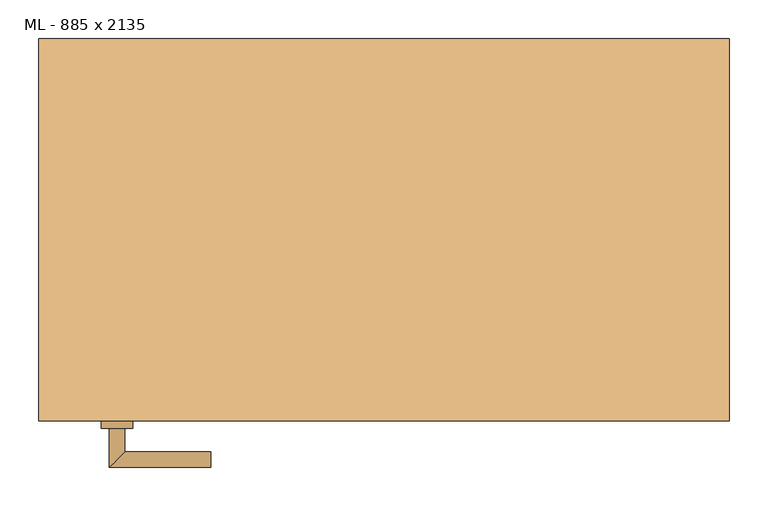
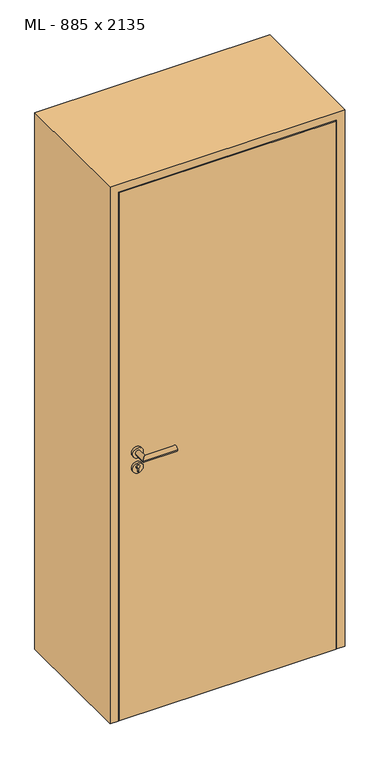
"""IFC4 building model written with IfcOpenShell, lengths in millimetres: door geometry, ML - 885 x 2135."""

from ifc_helpers import new_model, si_unit, point, frame, frame_2d, origin, origin_with_axes, place, context, project, spatial, polyline, circle_curve, ellipse_curve, trimmed, segment, composite_curve, outline, extrude, faceted_brep, source, transform, mapped, element, save
from ifc_brep_helpers import plane_surface, cylinder_surface, advanced_brep


def ml_885_x_2135_50889766(model_context):
    return source(origin(), model_context, "Body", "SolidModel", [
        extrude(outline(polyline([(408.5, -245.0), (-408.5, -245.0), (-408.5, -200.0), (408.5, -200.0), (408.5, -245.0)])), origin_with_axes(), (0.0, 0.0, 1.0), 2101.0),
        advanced_brep(
        [(-332.5, -255.0, 1050.0), (-352.5, -255.0, 1050.0), (-352.5, -305.0, 1050.0), (-332.5, -285.0, 1050.0), (-222.5, -285.0, 1050.0), (-222.5, -305.0, 1050.0)],
        [
            (0, 1, circle_curve(frame((-342.5, -255.0, 1050.0), z_axis=(0.0, 1.0, 0.0), x_axis=(-1.0, 0.0, 0.0)), 10.0)),
            (1, 0, circle_curve(frame((-342.5, -255.0, 1050.0), z_axis=(0.0, 1.0, 0.0), x_axis=(-1.0, 0.0, 0.0)), 10.0)),
            (1, 2),
            (2, 3, ellipse_curve(frame((-342.5, -295.0, 1050.0), z_axis=(-0.7071067811865531, 0.7071067811865419, 0.0), x_axis=(0.707106781186542, 0.707106781186553, 0.0)), 14.1421356, 10.0)),
            (3, 0),
            (3, 2, ellipse_curve(frame((-342.5, -295.0, 1050.0), z_axis=(-0.7071067811865531, 0.7071067811865419, 0.0), x_axis=(0.707106781186542, 0.707106781186553, 0.0)), 14.1421356, 10.0)),
            (4, 5, circle_curve(frame((-222.5, -295.0, 1050.0), z_axis=(1.0, 0.0, 0.0), x_axis=(0.0, -1.0, 0.0)), 10.0)),
            (5, 4, circle_curve(frame((-222.5, -295.0, 1050.0), z_axis=(1.0, 0.0, 0.0), x_axis=(0.0, -1.0, 0.0)), 10.0)),
            (2, 5),
            (4, 3),
        ],
        [
            plane_surface(frame((-342.5, -255.0, 1050.0), z_axis=(0.0, 1.0, 0.0), x_axis=(0.0, 0.0, 1.0))),
            cylinder_surface(frame((-342.5, -255.0, 1050.0), z_axis=(0.0, 1.0, 0.0), x_axis=(-1.0, 0.0, 0.0)), 10.0),
            plane_surface(frame((-222.5, -295.0, 1050.0), z_axis=(1.0, 0.0, 0.0), x_axis=(0.0, 0.0, 1.0))),
            cylinder_surface(frame((-342.5, -295.0, 1050.0), z_axis=(-1.0, 0.0, 0.0), x_axis=(0.0, -1.0, 0.0)), 10.0),
        ],
        [
            (0, [[1, 2]]),
            (1, [[3, 4, 5, -2]]),
            (1, [[-5, 6, -3, -1]]),
            (2, [[7, 8]]),
            (3, [[9, -7, 10, -4]]),
            (3, [[-10, -8, -9, -6]]),
        ],
    ),
        extrude(outline(composite_curve([segment(trimmed(circle_curve(frame_2d((990.0, -342.5)), 20.0), [point((990.0, -362.5))], [point((990.0, -322.5))], False, "CARTESIAN"), True, "CONTINUOUS"), segment(trimmed(circle_curve(frame_2d((990.0, -342.5)), 20.0), [point((990.0, -322.5))], [point((990.0, -362.5))], False, "CARTESIAN"), True, "CONTINUOUS")], self_intersect=False), holes=[composite_curve([segment(polyline([(976.4601385, -344.897268), (988.4749012, -344.897268)]), True, "CONTINUOUS"), segment(trimmed(circle_curve(frame_2d((995.0361633, -342.5)), 6.9854888), [point((988.4749012, -344.897268))], [point((988.4749012, -340.102732))], True, "CARTESIAN"), True, "CONTINUOUS"), segment(polyline([(988.4749012, -340.102732), (976.4601385, -340.102732)]), True, "CONTINUOUS"), segment(trimmed(circle_curve(frame_2d((976.4601385, -342.5)), 2.397268), [point((976.4601385, -340.102732))], [point((976.4601385, -344.897268))], True, "CARTESIAN"), True, "CONTINUOUS")], self_intersect=False)]), frame((0.0, -255.0, 0.0), z_axis=(0.0, 1.0, 0.0), x_axis=(0.0, 0.0, 1.0)), (0.0, 0.0, 1.0), 10.0),
        advanced_brep(
        [(-332.5, -255.0, 1050.0), (-352.5, -255.0, 1050.0), (-352.5, -305.0, 1050.0), (-332.5, -285.0, 1050.0), (-222.5, -285.0, 1050.0), (-222.5, -305.0, 1050.0)],
        [
            (0, 1, circle_curve(frame((-342.5, -255.0, 1050.0), z_axis=(0.0, 1.0, 0.0), x_axis=(-1.0, 0.0, 0.0)), 10.0)),
            (1, 0, circle_curve(frame((-342.5, -255.0, 1050.0), z_axis=(0.0, 1.0, 0.0), x_axis=(-1.0, 0.0, 0.0)), 10.0)),
            (1, 2),
            (2, 3, ellipse_curve(frame((-342.5, -295.0, 1050.0), z_axis=(-0.7071067811865537, 0.7071067811865414, 0.0), x_axis=(0.7071067811865414, 0.7071067811865536, 0.0)), 14.1421356, 10.0)),
            (3, 0),
            (3, 2, ellipse_curve(frame((-342.5, -295.0, 1050.0), z_axis=(-0.7071067811865537, 0.7071067811865414, 0.0), x_axis=(0.7071067811865414, 0.7071067811865536, 0.0)), 14.1421356, 10.0)),
            (4, 5, circle_curve(frame((-222.5, -295.0, 1050.0), z_axis=(1.0, 0.0, 0.0), x_axis=(0.0, -1.0, 0.0)), 10.0)),
            (5, 4, circle_curve(frame((-222.5, -295.0, 1050.0), z_axis=(1.0, 0.0, 0.0), x_axis=(0.0, -1.0, 0.0)), 10.0)),
            (2, 5),
            (4, 3),
        ],
        [
            plane_surface(frame((-342.5, -255.0, 1050.0), z_axis=(0.0, 1.0, 0.0), x_axis=(0.0, 0.0, 1.0))),
            cylinder_surface(frame((-342.5, -255.0, 1050.0), z_axis=(0.0, 1.0, 0.0), x_axis=(-1.0, 0.0, 0.0)), 10.0),
            plane_surface(frame((-222.5, -295.0, 1050.0), z_axis=(1.0, 0.0, 0.0), x_axis=(0.0, 0.0, 1.0))),
            cylinder_surface(frame((-342.5, -295.0, 1050.0), z_axis=(-1.0, 0.0, 0.0), x_axis=(0.0, -1.0, 0.0)), 10.0),
        ],
        [
            (0, [[1, 2]]),
            (1, [[3, 4, 5, -2]]),
            (1, [[-5, 6, -3, -1]]),
            (2, [[7, 8]]),
            (3, [[9, -7, 10, -4]]),
            (3, [[-10, -8, -9, -6]]),
        ],
    ),
        extrude(outline(composite_curve([segment(trimmed(circle_curve(frame_2d((1050.0, -342.5)), 20.0), [point((1050.0, -362.5))], [point((1050.0, -322.5))], False, "CARTESIAN"), True, "CONTINUOUS"), segment(trimmed(circle_curve(frame_2d((1050.0, -342.5)), 20.0), [point((1050.0, -322.5))], [point((1050.0, -362.5))], False, "CARTESIAN"), True, "CONTINUOUS")], self_intersect=False)), frame((0.0, -255.0, 0.0), z_axis=(0.0, 1.0, 0.0), x_axis=(0.0, 0.0, 1.0)), (0.0, 0.0, 1.0), 10.0),
        advanced_brep(
        [(-332.5, -190.0, 1050.0), (-352.5, -190.0, 1050.0), (-332.5, -160.0, 1050.0), (-352.5, -140.0, 1050.0), (-222.5, -160.0, 1050.0), (-222.5, -140.0, 1050.0)],
        [
            (0, 1, circle_curve(frame((-342.5, -190.0, 1050.0), z_axis=(0.0, -1.0, 0.0), x_axis=(-1.0, 0.0, 0.0)), 10.0)),
            (1, 0, circle_curve(frame((-342.5, -190.0, 1050.0), z_axis=(0.0, -1.0, 0.0), x_axis=(-1.0, 0.0, 0.0)), 10.0)),
            (0, 2),
            (2, 3, ellipse_curve(frame((-342.5, -150.0, 1050.0), z_axis=(-0.7071067811865486, -0.7071067811865464, 0.0), x_axis=(0.7071067811865464, -0.7071067811865488, 0.0)), 14.1421356, 10.0)),
            (3, 1),
            (3, 2, ellipse_curve(frame((-342.5, -150.0, 1050.0), z_axis=(-0.7071067811865486, -0.7071067811865464, 0.0), x_axis=(0.7071067811865464, -0.7071067811865488, 0.0)), 14.1421356, 10.0)),
            (4, 5, circle_curve(frame((-222.5, -150.0, 1050.0), z_axis=(1.0, 0.0, 0.0), x_axis=(0.0, 1.0, 0.0)), 10.0)),
            (5, 4, circle_curve(frame((-222.5, -150.0, 1050.0), z_axis=(1.0, 0.0, 0.0), x_axis=(0.0, 1.0, 0.0)), 10.0)),
            (2, 4),
            (5, 3),
        ],
        [
            plane_surface(frame((-342.5, -190.0, 1050.0), z_axis=(0.0, -1.0, 0.0), x_axis=(0.0, 0.0, 1.0))),
            cylinder_surface(frame((-342.5, -190.0, 1050.0), z_axis=(0.0, -1.0, 0.0), x_axis=(-1.0, 0.0, 0.0)), 10.0),
            plane_surface(frame((-222.5, -150.0, 1050.0), z_axis=(1.0, 0.0, 0.0), x_axis=(0.0, 0.0, 1.0))),
            cylinder_surface(frame((-342.5, -150.0, 1050.0), z_axis=(-1.0, 0.0, 0.0), x_axis=(0.0, 1.0, 0.0)), 10.0),
        ],
        [
            (0, [[1, 2]]),
            (1, [[-1, 3, 4, 5]]),
            (1, [[-2, -5, 6, -3]]),
            (2, [[7, 8]]),
            (3, [[-4, 9, -8, 10]]),
            (3, [[-6, -10, -7, -9]]),
        ],
    ),
        extrude(outline(composite_curve([segment(trimmed(circle_curve(frame_2d((990.0, -342.5)), 20.0), [point((990.0, -362.5))], [point((990.0, -322.5))], False, "CARTESIAN"), True, "CONTINUOUS"), segment(trimmed(circle_curve(frame_2d((990.0, -342.5)), 20.0), [point((990.0, -322.5))], [point((990.0, -362.5))], False, "CARTESIAN"), True, "CONTINUOUS")], self_intersect=False), holes=[composite_curve([segment(polyline([(976.4601385, -344.897268), (988.4749012, -344.897268)]), True, "CONTINUOUS"), segment(trimmed(circle_curve(frame_2d((995.0361633, -342.5)), 6.9854888), [point((988.4749012, -344.897268))], [point((988.4749012, -340.102732))], True, "CARTESIAN"), True, "CONTINUOUS"), segment(polyline([(988.4749012, -340.102732), (976.4601385, -340.102732)]), True, "CONTINUOUS"), segment(trimmed(circle_curve(frame_2d((976.4601385, -342.5)), 2.397268), [point((976.4601385, -340.102732))], [point((976.4601385, -344.897268))], True, "CARTESIAN"), True, "CONTINUOUS")], self_intersect=False)]), frame((0.0, -200.0, 0.0), z_axis=(0.0, 1.0, 0.0), x_axis=(0.0, 0.0, 1.0)), (0.0, 0.0, 1.0), 10.0),
        advanced_brep(
        [(-332.5, -190.0, 1050.0), (-352.5, -190.0, 1050.0), (-332.5, -160.0, 1050.0), (-352.5, -140.0, 1050.0), (-222.5, -160.0, 1050.0), (-222.5, -140.0, 1050.0)],
        [
            (0, 1, circle_curve(frame((-342.5, -190.0, 1050.0), z_axis=(0.0, -1.0, 0.0), x_axis=(-1.0, 0.0, 0.0)), 10.0)),
            (1, 0, circle_curve(frame((-342.5, -190.0, 1050.0), z_axis=(0.0, -1.0, 0.0), x_axis=(-1.0, 0.0, 0.0)), 10.0)),
            (0, 2),
            (2, 3, ellipse_curve(frame((-342.5, -150.0, 1050.0), z_axis=(-0.7071067811865491, -0.7071067811865459, 0.0), x_axis=(0.7071067811865458, -0.7071067811865492, 0.0)), 14.1421356, 10.0)),
            (3, 1),
            (3, 2, ellipse_curve(frame((-342.5, -150.0, 1050.0), z_axis=(-0.7071067811865491, -0.7071067811865459, 0.0), x_axis=(0.7071067811865458, -0.7071067811865492, 0.0)), 14.1421356, 10.0)),
            (4, 5, circle_curve(frame((-222.5, -150.0, 1050.0), z_axis=(1.0, 0.0, 0.0), x_axis=(0.0, 1.0, 0.0)), 10.0)),
            (5, 4, circle_curve(frame((-222.5, -150.0, 1050.0), z_axis=(1.0, 0.0, 0.0), x_axis=(0.0, 1.0, 0.0)), 10.0)),
            (2, 4),
            (5, 3),
        ],
        [
            plane_surface(frame((-342.5, -190.0, 1050.0), z_axis=(0.0, -1.0, 0.0), x_axis=(0.0, 0.0, 1.0))),
            cylinder_surface(frame((-342.5, -190.0, 1050.0), z_axis=(0.0, -1.0, 0.0), x_axis=(-1.0, 0.0, 0.0)), 10.0),
            plane_surface(frame((-222.5, -150.0, 1050.0), z_axis=(1.0, 0.0, 0.0), x_axis=(0.0, 0.0, 1.0))),
            cylinder_surface(frame((-342.5, -150.0, 1050.0), z_axis=(-1.0, 0.0, 0.0), x_axis=(0.0, 1.0, 0.0)), 10.0),
        ],
        [
            (0, [[1, 2]]),
            (1, [[-1, 3, 4, 5]]),
            (1, [[-2, -5, 6, -3]]),
            (2, [[7, 8]]),
            (3, [[-4, 9, -8, 10]]),
            (3, [[-6, -10, -7, -9]]),
        ],
    ),
        extrude(outline(composite_curve([segment(trimmed(circle_curve(frame_2d((1050.0, -342.5)), 20.0), [point((1050.0, -362.5))], [point((1050.0, -322.5))], False, "CARTESIAN"), True, "CONTINUOUS"), segment(trimmed(circle_curve(frame_2d((1050.0, -342.5)), 20.0), [point((1050.0, -322.5))], [point((1050.0, -362.5))], False, "CARTESIAN"), True, "CONTINUOUS")], self_intersect=False)), frame((0.0, -200.0, 0.0), z_axis=(0.0, 1.0, 0.0), x_axis=(0.0, 0.0, 1.0)), (0.0, 0.0, 1.0), 10.0),
        faceted_brep([(-412.5, -245.0, 0.0), (-442.5, -245.0, 0.0), (-442.5, 245.0, 0.0), (-397.5, 245.0, 0.0), (-397.5, -200.0, 0.0), (-412.5, -200.0, 0.0), (-412.5, -200.0, 2105.0), (-412.5, -245.0, 2105.0), (-397.5, -200.0, 2090.0), (397.5, -200.0, 2090.0), (397.5, -200.0, 0.0), (412.5, -200.0, 0.0), (412.5, -200.0, 2105.0), (-397.5, 245.0, 2090.0), (-442.5, 245.0, 2135.0), (442.5, 245.0, 2135.0), (442.5, 245.0, 0.0), (397.5, 245.0, 0.0), (397.5, 245.0, 2090.0), (-442.5, -245.0, 2135.0), (412.5, -245.0, 2105.0), (412.5, -245.0, 0.0), (442.5, -245.0, 0.0), (442.5, -245.0, 2135.0)], [[[0, 1, 2, 3, 4, 5]], [[5, 6, 7, 0]], [[4, 8, 9, 10, 11, 12, 6, 5]], [[3, 13, 8, 4]], [[2, 14, 15, 16, 17, 18, 13, 3]], [[1, 19, 14, 2]], [[0, 7, 20, 21, 22, 23, 19, 1]], [[23, 22, 16, 15]], [[21, 11, 10, 17, 16, 22]], [[12, 11, 21, 20]], [[18, 17, 10, 9]], [[19, 23, 15, 14]], [[13, 18, 9, 8]], [[6, 12, 20, 7]]]),
    ])


if __name__ == "__main__":
    model = new_model("IFC4")
    model_context = context("Model", 3, world=origin())
    ifc_project = project(units=[si_unit("LENGTHUNIT", "METRE", prefix="MILLI")], contexts=[model_context])
    site = spatial("IfcSite", under=ifc_project)
    building = spatial("IfcBuilding", under=site)
    placement = place(None, origin())
    ml_885_x_2135_shape = ml_885_x_2135_50889766(model_context)
    element("IfcDoor", 1, ObjectType="ML - 885 x 2135", at=placement, inside=building, context=model_context, shape_type="MappedRepresentation", body=[
        mapped(ml_885_x_2135_shape, transform((0.0, 0.0, 0.0), x_axis=(1.0, 0.0, 0.0), y_axis=(0.0, 1.0, 0.0), z_axis=(0.0, 0.0, 1.0))),
    ])
    save(model, "model.ifc")
